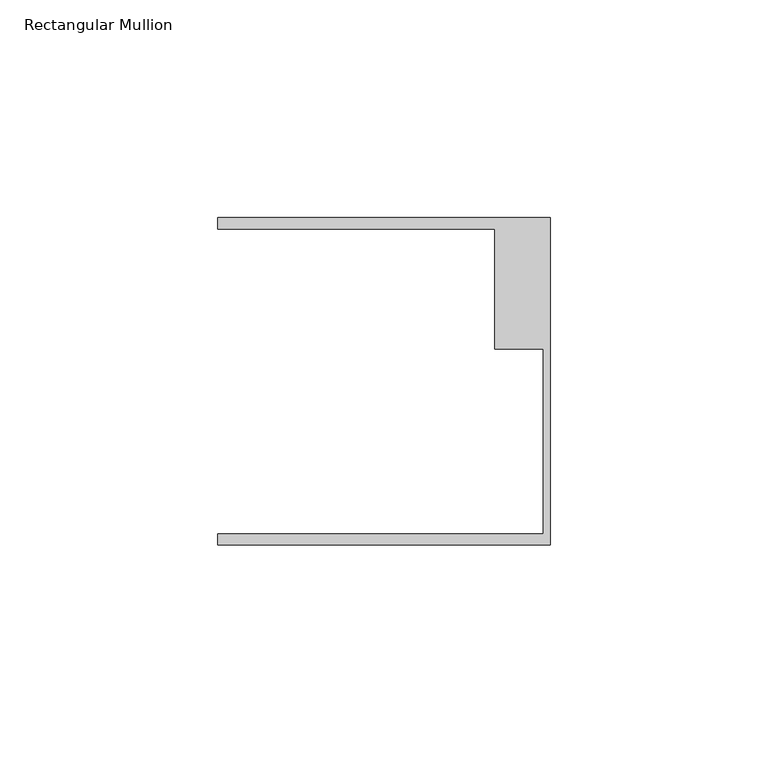
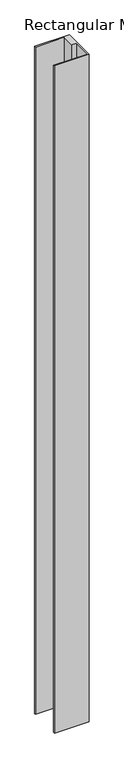
"""IFC4 building model written with IfcOpenShell, lengths in millimetres: member geometry, Rectangular Mullion."""

from ifc_helpers import new_model, si_unit, frame, origin, place, context, project, spatial, polyline, outline, extrude, source, transform, mapped, element, save


def rectangular_mullion_58d3ac35(model_context):
    return source(origin(), model_context, "Body", "SweptSolid", [
        extrude(outline(polyline([(0.0, -37.5776386), (-76.2, -37.5776386), (-76.2, -35.0376386), (-1.5875, -35.0376386), (-1.5875, 7.3398614), (-12.7, 7.3398614), (-12.7, 34.9623614), (-76.2, 34.9623614), (-76.2, 37.5023614), (0.0, 37.5023614), (0.0, -37.5776386)])), frame((0.0, 0.0, -1553.0068), z_axis=(0.0, 0.0, 1.0), x_axis=(1.0, 0.0, 0.0)), (0.0, 0.0, 1.0), 1553.0068),
    ])


if __name__ == "__main__":
    model = new_model("IFC4")
    model_context = context("Model", 3, world=origin())
    ifc_project = project(units=[si_unit("LENGTHUNIT", "METRE", prefix="MILLI")], contexts=[model_context])
    site = spatial("IfcSite", under=ifc_project)
    building = spatial("IfcBuilding", under=site)
    placement = place(None, origin())
    rectangular_mullion_shape = rectangular_mullion_58d3ac35(model_context)
    element("IfcMember", 1, ObjectType="Rectangular Mullion", at=placement, inside=building, context=model_context, shape_type="MappedRepresentation", body=[
        mapped(rectangular_mullion_shape, transform((0.0, 0.0, 0.0), x_axis=(1.0, 0.0, 0.0), y_axis=(0.0, 1.0, 0.0), z_axis=(0.0, 0.0, 1.0))),
    ])
    save(model, "model.ifc")
